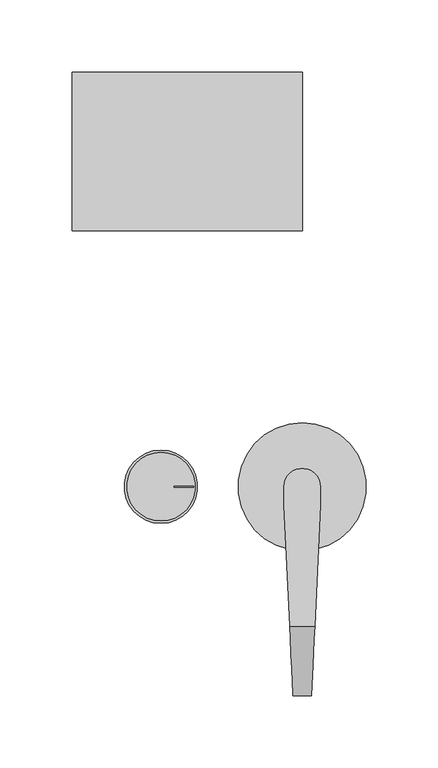
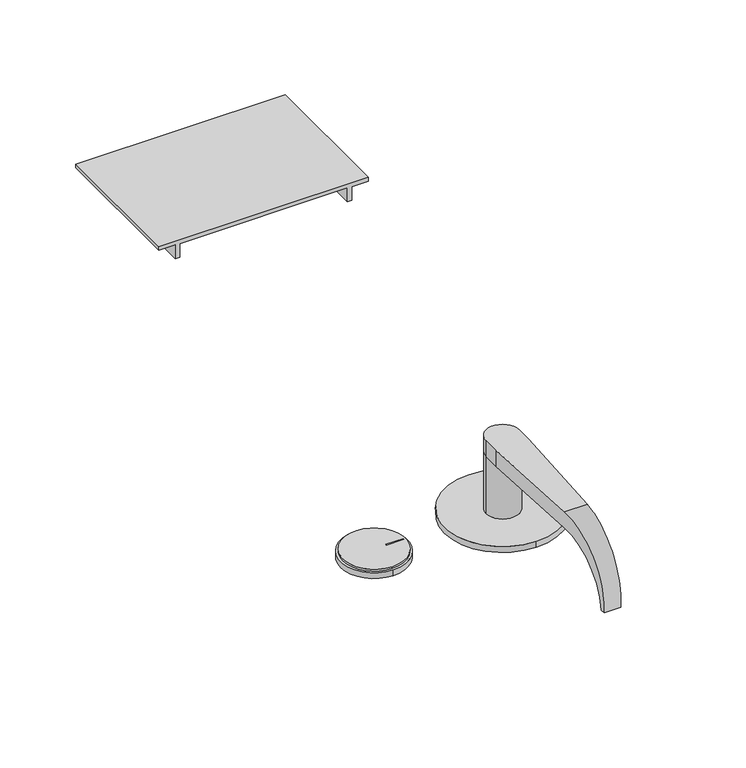
"""IFC4 building model written with IfcOpenShell, lengths in millimetres: proxy geometry."""

from ifc_helpers import new_model, si_unit, point, frame, frame_2d, origin, place, context, project, spatial, polyline, circle_curve, ellipse_curve, trimmed, segment, composite_curve, outline, extrude, source, transform, mapped, element, save
from ifc_brep_helpers import plane_surface, cylinder_surface, revolved_surface, advanced_brep


def security_devices_6091b5b1(model_context):
    return source(origin(), model_context, "Body", "SolidModel", [
        extrude(outline(polyline([(150.0, -147.3001101), (150.0, -144.1251101), (161.0132812, -144.1251101), (161.0132812, -15.8751101), (150.0, -15.8751101), (150.0, -12.7001101), (161.0132812, -12.7001101), (161.0132812, -0.0001101), (163.9898437, -0.0001101), (163.9898437, -160.0001101), (161.0132812, -160.0001101), (161.0132812, -147.3001101), (150.0, -147.3001101)])), frame((0.0, 177.8, 0.0), z_axis=(0.0, 1.0, 0.0), x_axis=(0.0, 0.0, 1.0)), (0.0, 0.0, 1.0), 110.0),
        extrude(outline(composite_curve([segment(trimmed(circle_curve(frame_2d((-98.1257469, 0.0370928)), 23.8125), [point((-98.1257469, -23.7754072))], [point((-98.1257469, 23.8495928))], False, "CARTESIAN"), True, "CONTINUOUS"), segment(trimmed(circle_curve(frame_2d((-98.1257469, 0.0370928)), 23.8125), [point((-98.1257469, 23.8495928))], [point((-98.1257469, -23.7754072))], False, "CARTESIAN"), True, "CONTINUOUS")], self_intersect=False), holes=[polyline([(-89.0715813, 0.4123509), (-89.0715813, -0.3813991), (-75.5573756, -0.3813991), (-75.5573756, 0.4123509), (-89.0715813, 0.4123509)])]), frame((0.0, 0.0, 4.7625058), z_axis=(0.0, 0.0, 1.0), x_axis=(1.0, 0.0, 0.0)), (0.0, 0.0, 1.0), 1.5875),
        advanced_brep(
        [(-98.2050066, -25.3844496, 4.7625058), (-98.2050066, 25.4155504, 4.7625058), (-89.0715813, -0.3813991, 4.7625058), (-89.0715813, 0.4123509, 4.7625058), (-75.5573756, 0.4123509, 4.7625058), (-75.5573756, -0.3813991, 4.7625058), (-98.2050066, -25.3844496, 5.8e-06), (-98.2050066, 25.4155504, 5.8e-06), (-89.0715813, 0.4123509, 2.0602082), (-89.0715813, -0.3813991, 2.0602082), (-75.5573756, -0.3813991, 2.0602082), (-75.5573756, 0.4123509, 2.0602082)],
        [
            (0, 1, circle_curve(frame((-98.2050066, 0.0155504, 4.7625058), z_axis=(0.0, 0.0, 1.0), x_axis=(0.0, 1.0, 0.0)), 25.4)),
            (1, 0, circle_curve(frame((-98.2050066, 0.0155504, 4.7625058), z_axis=(0.0, 0.0, 1.0), x_axis=(0.0, 1.0, 0.0)), 25.4)),
            (2, 3),
            (3, 4),
            (4, 5),
            (5, 2),
            (6, 7, circle_curve(frame((-98.2050066, 0.0155504, 5.8e-06), z_axis=(0.0, 0.0, -1.0), x_axis=(0.0, 1.0, 0.0)), 25.4)),
            (7, 6, circle_curve(frame((-98.2050066, 0.0155504, 5.8e-06), z_axis=(0.0, 0.0, -1.0), x_axis=(0.0, 1.0, 0.0)), 25.4)),
            (0, 6),
            (7, 1),
            (8, 9),
            (9, 10),
            (10, 11),
            (11, 8),
            (8, 3),
            (2, 9),
            (5, 10),
            (4, 11),
        ],
        [
            plane_surface(frame((-98.2050066, 25.4155504, 4.7625058), z_axis=(0.0, 0.0, 1.0), x_axis=(-1.0, 0.0, 0.0))),
            plane_surface(frame((-98.2050066, 25.4155504, 5.8e-06), z_axis=(0.0, 0.0, -1.0), x_axis=(1.0, 0.0, 0.0))),
            cylinder_surface(frame((-98.2050066, 0.0155504, 5.8e-06), z_axis=(0.0, 0.0, 1.0), x_axis=(0.0, 1.0, 0.0)), 25.4),
            plane_surface(frame((-89.0715813, -0.3300226, 2.0602082), z_axis=(0.0, 0.0, 1.0), x_axis=(0.0, 1.0, 0.0))),
            plane_surface(frame((-89.0715813, 0.4123509, 8.0680635), z_axis=(1.0, 0.0, 0.0), x_axis=(0.0, 0.0, -1.0))),
            plane_surface(frame((-89.0715813, -0.3813991, 8.0680635), z_axis=(0.0, 1.0, 0.0), x_axis=(0.0, 0.0, -1.0))),
            plane_surface(frame((-75.5573756, -0.3813991, 8.0680635), z_axis=(-1.0, 0.0, 0.0), x_axis=(0.0, 0.0, -1.0))),
            plane_surface(frame((-75.5573756, 0.4123509, 8.0680635), z_axis=(0.0, -1.0, 0.0), x_axis=(0.0, 0.0, -1.0))),
        ],
        [
            (0, [[1, 2], [3, 4, 5, 6]]),
            (1, [[7, 8]]),
            (2, [[-1, 9, -8, 10]]),
            (2, [[-2, -10, -7, -9]]),
            (3, [[11, 12, 13, 14]]),
            (4, [[-11, 15, -3, 16]]),
            (5, [[-12, -16, -6, 17]]),
            (6, [[-13, -17, -5, 18]]),
            (7, [[-14, -18, -4, -15]]),
        ],
    ),
        advanced_brep(
        [(-0.0080171, -44.4552377, 4.7622), (-0.0080171, 44.4447623, 4.7622), (12.6999978, -0.006278, 4.7622), (-12.7000022, -0.006278, 4.7622), (-0.0080171, -44.4552377, -0.0003), (-0.0080171, 44.4447623, -0.0003), (-12.7000022, 0.006278, 50.7997), (-12.7000022, -12.693722, 50.7997), (-12.7000022, -12.693722, 63.4997), (-12.7000022, 0.006278, 63.4997), (12.6999978, -12.693722, 50.7997), (12.6999978, 0.006278, 50.7997), (12.6999978, -0.006278, 63.4997), (12.6999978, -12.693722, 63.4997), (8.6682503, -96.831222, 50.7997), (-8.6682548, -96.831222, 50.7997), (-8.6682548, -96.831222, 63.4997), (8.6682503, -96.831222, 63.4997), (-6.3500022, -145.210237, 19.1808168), (-6.3500022, -145.210237, 10.688597), (6.3499978, -145.210237, 10.688597), (6.3499978, -145.210237, 19.1808168), (-6.5035986, -142.0048745, 10.688597), (6.5035941, -142.0048745, 10.688597)],
        [
            (0, 1, circle_curve(frame((-0.0080171, -0.0052377, 4.7622), z_axis=(0.0, 0.0, 1.0), x_axis=(0.0, 1.0, 0.0)), 44.45)),
            (1, 0, circle_curve(frame((-0.0080171, -0.0052377, 4.7622), z_axis=(0.0, 0.0, 1.0), x_axis=(0.0, 1.0, 0.0)), 44.45)),
            (2, 3, circle_curve(frame((-2.2e-06, -0.006278, 4.7622), z_axis=(0.0, 0.0, -1.0), x_axis=(0.0, 1.0, 0.0)), 12.7)),
            (3, 2, circle_curve(frame((-2.2e-06, -0.006278, 4.7622), z_axis=(0.0, 0.0, -1.0), x_axis=(0.0, 1.0, 0.0)), 12.7)),
            (4, 5, circle_curve(frame((-0.0080171, -0.0052377, -0.0003), z_axis=(0.0, 0.0, -1.0), x_axis=(0.0, 1.0, 0.0)), 44.45)),
            (5, 4, circle_curve(frame((-0.0080171, -0.0052377, -0.0003), z_axis=(0.0, 0.0, -1.0), x_axis=(0.0, 1.0, 0.0)), 44.45)),
            (0, 4),
            (5, 1),
            (6, 7),
            (7, 8),
            (8, 9),
            (9, 6),
            (10, 11),
            (11, 12),
            (12, 13),
            (13, 10),
            (6, 11, circle_curve(frame((-2.2e-06, -0.006278, 50.7997), z_axis=(0.0, 0.0, 1.0), x_axis=(0.0, 1.0, 0.0)), 12.7)),
            (10, 14),
            (14, 15),
            (15, 7),
            (16, 17),
            (17, 13),
            (12, 9, circle_curve(frame((-2.2e-06, -0.006278, 63.4997), z_axis=(0.0, 0.0, 1.0), x_axis=(0.0, 1.0, 0.0)), 12.7)),
            (8, 16),
            (16, 18, ellipse_curve(frame((-8.6682548, -96.831222, 14.9347069), z_axis=(0.9988538794169151, 0.04786363519185428, 0.0), x_axis=(-0.04786363519185472, 0.9988538794169151, 0.0)), 48.6207182, 48.564993)),
            (18, 19, circle_curve(frame((-6.3500022, -96.831222, 14.9347069), z_axis=(1.0, 0.0, 0.0), x_axis=(0.0, -1.0, 0.0)), 48.564993)),
            (19, 20),
            (20, 21, circle_curve(frame((6.3499978, -96.831222, 14.9347069), z_axis=(-1.0, 0.0, 0.0), x_axis=(0.0, -1.0, 0.0)), 48.564993)),
            (21, 17, ellipse_curve(frame((8.6682503, -96.831222, 14.9347069), z_axis=(-0.9988538794169147, 0.04786363519186215, 0.0), x_axis=(-0.047863635191859884, -0.9988538794169148, 0.0)), 48.6207182, 48.564993)),
            (19, 22),
            (22, 23),
            (23, 20),
            (22, 15, ellipse_curve(frame((-8.6682548, -96.831222, 5.3065672), z_axis=(-0.9988538794169151, -0.04786363519185428, 0.0), x_axis=(0.04786363519185472, -0.9988538794169151, 0.0)), 45.5453332, 45.4931328)),
            (14, 23, ellipse_curve(frame((8.6682503, -96.831222, 5.3065672), z_axis=(0.9988538794169147, -0.04786363519186215, 0.0), x_axis=(0.047863635191859884, 0.9988538794169148, 0.0)), 45.5453332, 45.4931328)),
            (21, 20),
            (18, 19),
            (6, 3),
            (2, 11),
            (6, 11, circle_curve(frame((-2.2e-06, -0.006278, 50.7997), z_axis=(0.0, 0.0, -1.0), x_axis=(0.0, 1.0, 0.0)), 12.7)),
        ],
        [
            plane_surface(frame((-0.0080171, 44.4447623, 4.7622), z_axis=(0.0, 0.0, 1.0), x_axis=(-1.0, 0.0, 0.0))),
            plane_surface(frame((-0.0080171, 44.4447623, -0.0003), z_axis=(0.0, 0.0, -1.0), x_axis=(1.0, 0.0, 0.0))),
            cylinder_surface(frame((-0.0080171, -0.0052377, -0.0003), z_axis=(0.0, 0.0, 1.0), x_axis=(0.0, 1.0, 0.0)), 44.45),
            plane_surface(frame((-12.7000022, -142.3243547, 5.3065672), z_axis=(-1.0, 0.0, 0.0), x_axis=(0.0, 0.0, -1.0))),
            plane_surface(frame((12.6999978, -142.3243547, 5.3065672), z_axis=(1.0, 0.0, 0.0), x_axis=(0.0, 0.0, 1.0))),
            plane_surface(frame((-12.7000022, -25.0324224, 50.7997), z_axis=(0.0, 0.0, -1.0), x_axis=(1.0, 0.0, 0.0))),
            plane_surface(frame((-12.7000022, -96.831222, 63.4997), z_axis=(0.0, 0.0, 1.0), x_axis=(1.0, 0.0, 0.0))),
            cylinder_surface(frame((12.6999978, -96.831222, 14.9347069), z_axis=(-1.0, 0.0, 0.0), x_axis=(0.0, -1.0, 0.0)), 48.564993),
            plane_surface(frame((-12.7000022, -142.0048745, 10.688597), z_axis=(0.0, 0.0, -1.0), x_axis=(1.0, 0.0, 0.0))),
            revolved_surface(polyline([(10.848215512976505, -142.32435479999998, 5.3065672), (-10.848220012976268, -142.32435479999998, 5.3065672)]), (12.6999978, -96.831222, 5.3065672), (1.0, 0.0, 0.0)),
            plane_surface(frame((13.3082626, 0.0, 66.7497141), z_axis=(0.9988538794169147, -0.04786363519186215, 0.0), x_axis=(0.0, 0.0, -1.0))),
            plane_surface(frame((6.3499978, -145.210237, 66.7497141), z_axis=(1.0, 0.0, 0.0), x_axis=(0.0, 0.0, -1.0))),
            plane_surface(frame((-6.3500022, -148.3951356, 66.7497141), z_axis=(-1.0, 0.0, 0.0), x_axis=(0.0, 0.0, -1.0))),
            plane_surface(frame((-6.3500022, -145.210237, 66.7497141), z_axis=(-0.9988538794169151, -0.04786363519185428, 0.0), x_axis=(0.0, 0.0, -1.0))),
            cylinder_surface(frame((-2.2e-06, -0.006278, 4.7622), z_axis=(0.0, 0.0, 1.0), x_axis=(0.0, 1.0, 0.0)), 12.7),
            cylinder_surface(frame((-2.2e-06, -0.006278, 50.7997), z_axis=(0.0, 0.0, -1.0), x_axis=(0.0, 1.0, 0.0)), 12.7),
        ],
        [
            (0, [[1, 2], [3, 4]]),
            (1, [[5, 6]]),
            (2, [[-1, 7, -6, 8]]),
            (2, [[-2, -8, -5, -7]]),
            (3, [[9, 10, 11, 12]]),
            (4, [[13, 14, 15, 16]]),
            (5, [[17, -13, 18, 19, 20, -9]]),
            (6, [[21, 22, -15, 23, -11, 24]]),
            (7, [[-21, 25, 26, 27, 28, 29]]),
            (8, [[-27, 30, 31, 32]]),
            (9, [[-31, 33, -19, 34]]),
            (10, [[35, -32, -34, -18, -16, -22, -29]]),
            (11, [[-35, -28]]),
            (12, [[36, -26]]),
            (13, [[-36, -25, -24, -10, -20, -33, -30]]),
            (14, [[-17, 37, -3, 38]]),
            (14, [[-37, 39, -38, -4]]),
            (15, [[-12, -23, -14, -39]]),
        ],
    ),
    ])


if __name__ == "__main__":
    model = new_model("IFC4")
    model_context = context("Model", 3, world=origin())
    ifc_project = project(units=[si_unit("LENGTHUNIT", "METRE", prefix="MILLI")], contexts=[model_context])
    site = spatial("IfcSite", under=ifc_project)
    building = spatial("IfcBuilding", under=site)
    placement = place(None, origin())
    security_devices_shape = security_devices_6091b5b1(model_context)
    element("IfcBuildingElementProxy", 1, Name="Security Devices", at=placement, inside=building, context=model_context, shape_type="MappedRepresentation", body=[
        mapped(security_devices_shape, transform((0.0, 0.0, 0.0), x_axis=(1.0, 0.0, 0.0), y_axis=(0.0, 1.0, 0.0), z_axis=(0.0, 0.0, 1.0))),
    ])
    save(model, "model.ifc")
